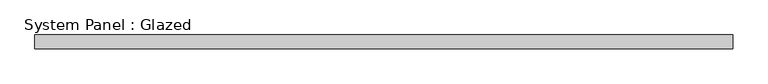
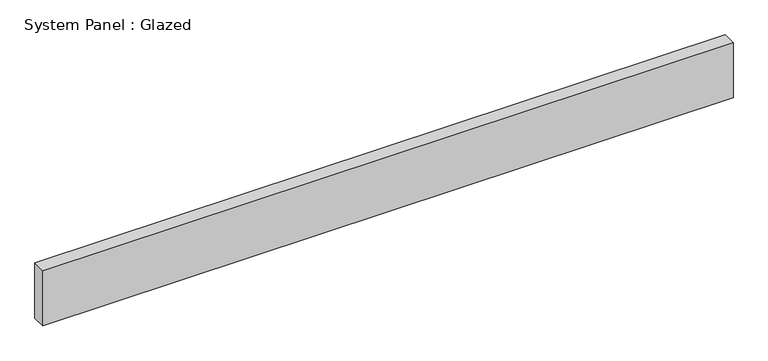
"""IFC4 building model written with IfcOpenShell, lengths in millimetres: plate geometry, System Panel : Glazed."""

from ifc_helpers import new_model, si_unit, origin, origin_with_axes, place, context, project, spatial, polyline, outline, extrude, source, transform, mapped, element, save


def system_panel_glazed_69b29a53(model_context):
    return source(origin(), model_context, "Body", "SweptSolid", [
        extrude(outline(polyline([(639.7772725, 19.05), (-639.7772725, 19.05), (-639.7772725, 44.45), (639.7772725, 44.45), (639.7772725, 19.05)])), origin_with_axes(), (0.0, 0.0, 1.0), 107.95),
    ])


if __name__ == "__main__":
    model = new_model("IFC4")
    model_context = context("Model", 3, world=origin())
    ifc_project = project(units=[si_unit("LENGTHUNIT", "METRE", prefix="MILLI")], contexts=[model_context])
    site = spatial("IfcSite", under=ifc_project)
    building = spatial("IfcBuilding", under=site)
    placement = place(None, origin())
    system_panel_glazed_shape = system_panel_glazed_69b29a53(model_context)
    element("IfcPlate", 1, ObjectType="System Panel : Glazed", at=placement, inside=building, context=model_context, shape_type="MappedRepresentation", body=[
        mapped(system_panel_glazed_shape, transform((0.0, 0.0, 0.0), x_axis=(1.0, 0.0, 0.0), y_axis=(0.0, 1.0, 0.0), z_axis=(0.0, 0.0, 1.0))),
    ])
    save(model, "model.ifc")
